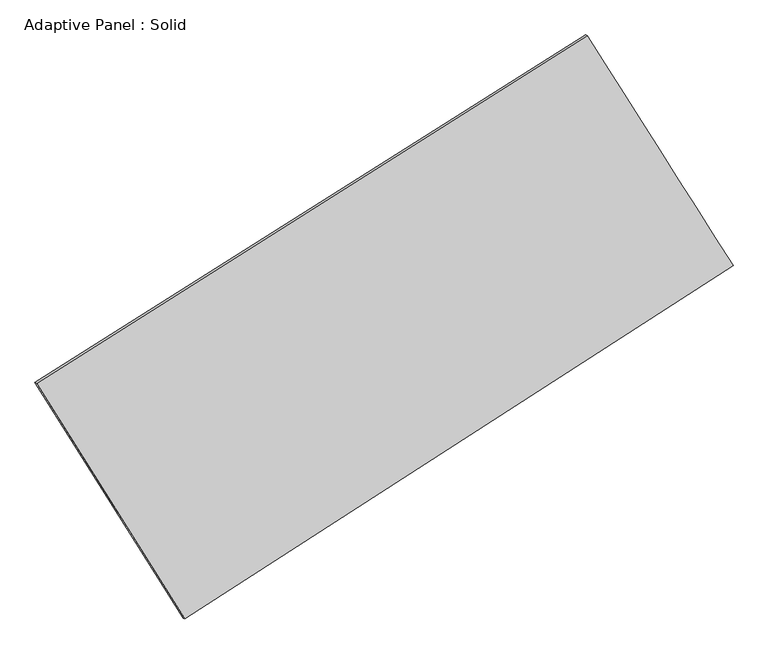
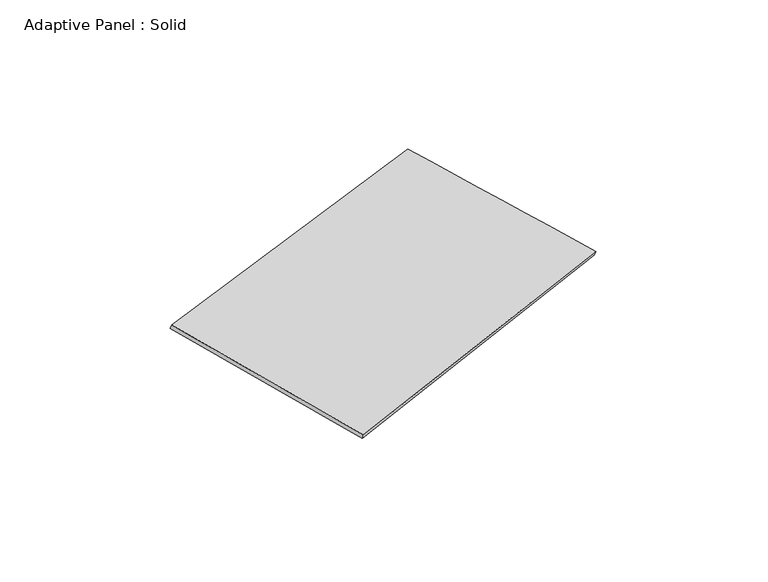
"""IFC4 building model written with IfcOpenShell, lengths in millimetres: plate geometry, Adaptive Panel : Solid."""

from ifc_helpers import new_model, si_unit, frame, origin, place, context, project, spatial, source, transform, mapped, element, save
from ifc_brep_helpers import plane_surface, spline_surface, advanced_brep


def adaptive_panel_solid_2fa9ceb1(model_context):
    return source(origin(), model_context, "Body", "AdvancedBrep", [
        advanced_brep(
        [(1142.9232598, 2482.6458576, 645.9652128), (-3752.4708965, -611.6595801, 1779.947086), (-3737.8045406, -618.0396735, 1827.319994), (1157.5896157, 2476.2657641, 693.3381208), (-2434.0414045, -2706.9547668, 1054.9340972), (-2419.3750487, -2713.3348603, 1102.3070052), (2440.298463, 435.7199165, 4.2761242), (2454.9648188, 429.339823, 51.6490322)],
        [
            (0, 1),
            (1, 2),
            (2, 3),
            (3, 0),
            (1, 4),
            (4, 5),
            (5, 2),
            (4, 6),
            (6, 7),
            (7, 5),
            (6, 0),
            (3, 7),
        ],
        [
            plane_surface(frame((-1304.7738183, 935.4931388, 1212.9561494), z_axis=(-0.472279622477931, 0.8423355490674556, 0.25965897051581166), x_axis=(-0.829542859051977, -0.5243416357433784, 0.1921574719385901))),
            plane_surface(frame((-3093.2561505, -1659.3071735, 1417.4405916), z_axis=(-0.8055175033446224, -0.5667391222029801, 0.17305582674397887), x_axis=(0.5111051084434379, -0.8122664732237331, -0.28106003735803503))),
            plane_surface(frame((3.1285292, -1135.6174252, 529.6051107), z_axis=(0.48244358045008257, -0.835846836392363, -0.26193178076625834), x_axis=(0.8269974662754743, 0.5331971243442069, -0.17825828834871635))),
            plane_surface(frame((1791.6108614, 1459.182887, 325.1206685), z_axis=(0.8063312165496611, 0.5654504456243843, -0.1734813037786165), x_axis=(-0.5175091429509561, 0.8164969446962128, 0.2559629392390945))),
            spline_surface(1, 1, [[(-3737.8045406, -618.0396735, 1827.319994), (1157.5896157, 2476.2657641, 693.3381208)], [(-2419.3750487, -2713.3348603, 1102.3070052), (2454.9648188, 429.339823, 51.6490322)]], [2, 2], [2, 2], [0.0, 1.0], [0.0, 1.0]),
            spline_surface(1, 1, [[(2440.298463, 435.7199165, 4.2761242), (1142.9232598, 2482.6458576, 645.9652128)], [(-2434.0414045, -2706.9547668, 1054.9340972), (-3752.4708965, -611.6595801, 1779.947086)]], [2, 2], [2, 2], [0.0, 1.0], [0.0, 1.0]),
        ],
        [
            (0, [[1, 2, 3, 4]]),
            (1, [[5, 6, 7, -2]]),
            (2, [[8, 9, 10, -6]]),
            (3, [[11, -4, 12, -9]]),
            (4, [[-3, -7, -10, -12]]),
            (5, [[-11, -8, -5, -1]]),
        ],
    ),
    ])


if __name__ == "__main__":
    model = new_model("IFC4")
    model_context = context("Model", 3, world=origin())
    ifc_project = project(units=[si_unit("LENGTHUNIT", "METRE", prefix="MILLI")], contexts=[model_context])
    site = spatial("IfcSite", under=ifc_project)
    building = spatial("IfcBuilding", under=site)
    placement = place(None, origin())
    adaptive_panel_solid_shape = adaptive_panel_solid_2fa9ceb1(model_context)
    element("IfcPlate", 1, ObjectType="Adaptive Panel : Solid", at=placement, inside=building, context=model_context, shape_type="MappedRepresentation", body=[
        mapped(adaptive_panel_solid_shape, transform((0.0, 0.0, 0.0), x_axis=(1.0, 0.0, 0.0), y_axis=(0.0, 1.0, 0.0), z_axis=(0.0, 0.0, 1.0))),
    ])
    save(model, "model.ifc")
